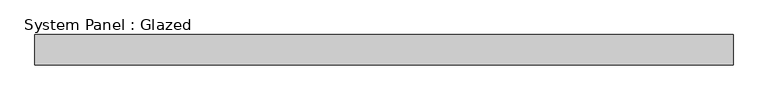
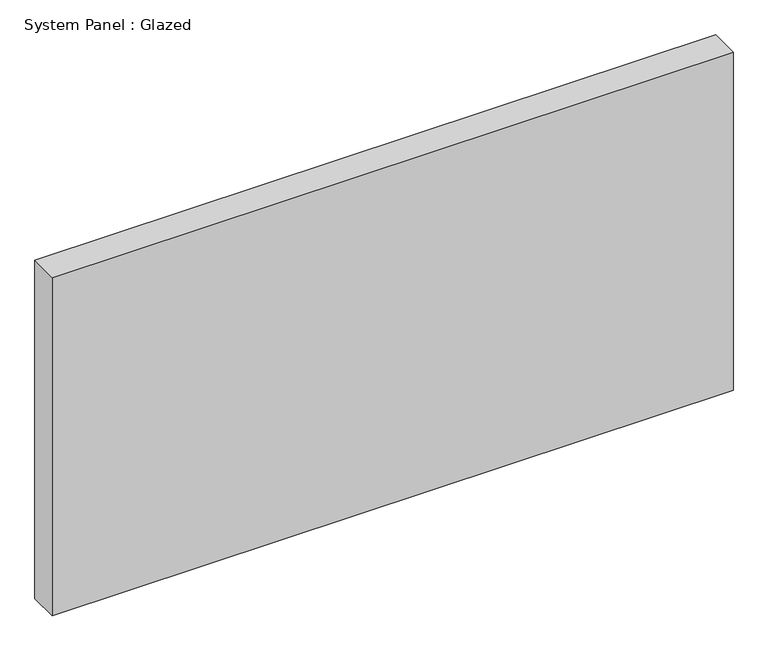
"""IFC4 building model written with IfcOpenShell, lengths in millimetres: plate geometry, System Panel : Glazed."""

from ifc_helpers import new_model, si_unit, origin, origin_with_axes, place, context, project, spatial, polyline, outline, extrude, source, transform, mapped, element, save


def system_panel_glazed_79cbcf8a(model_context):
    return source(origin(), model_context, "Body", "SweptSolid", [
        extrude(outline(polyline([(1142.5, 50.0), (-1142.5, 50.0), (-1142.5, 150.0), (1142.5, 150.0), (1142.5, 50.0)])), origin_with_axes(), (0.0, 0.0, 1.0), 1200.0),
    ])


if __name__ == "__main__":
    model = new_model("IFC4")
    model_context = context("Model", 3, world=origin())
    ifc_project = project(units=[si_unit("LENGTHUNIT", "METRE", prefix="MILLI")], contexts=[model_context])
    site = spatial("IfcSite", under=ifc_project)
    building = spatial("IfcBuilding", under=site)
    placement = place(None, origin())
    system_panel_glazed_shape = system_panel_glazed_79cbcf8a(model_context)
    element("IfcPlate", 1, ObjectType="System Panel : Glazed", at=placement, inside=building, context=model_context, shape_type="MappedRepresentation", body=[
        mapped(system_panel_glazed_shape, transform((0.0, 0.0, 0.0), x_axis=(1.0, 0.0, 0.0), y_axis=(0.0, 1.0, 0.0), z_axis=(0.0, 0.0, 1.0))),
    ])
    save(model, "model.ifc")
